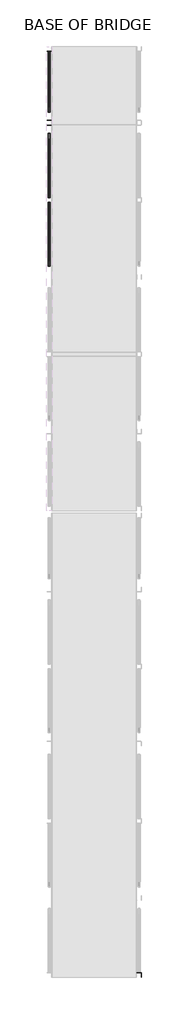
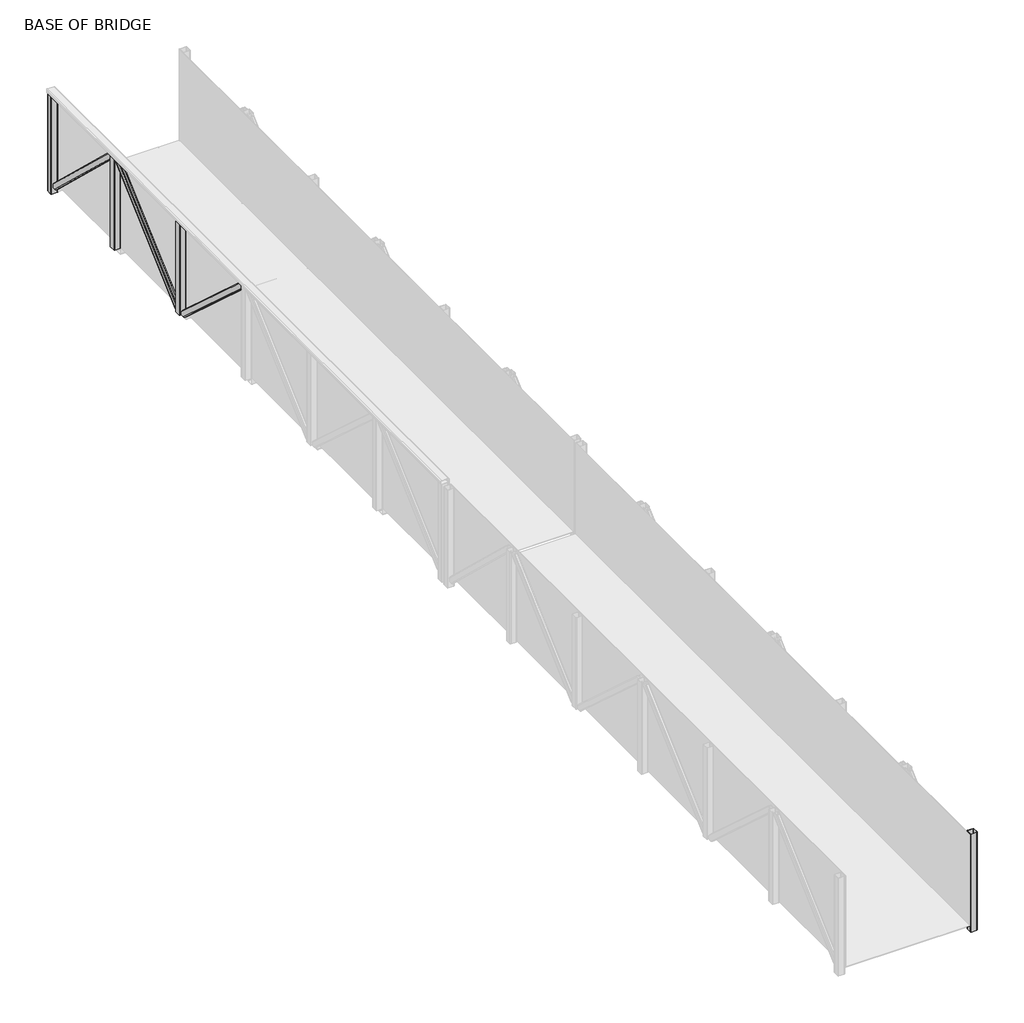
# One storey, part 4 of 8: 7 columns.
"""IFC4 building model written with IfcOpenShell, lengths in millimetres."""

from ifc_helpers import new_model, si_unit, point, frame, frame_2d, origin, place, context, project, spatial, polyline, circle_curve, ellipse_curve, trimmed, segment, composite_curve, outline, extrude, element, save
from ifc_brep_helpers import plane_surface, cylinder_surface, revolved_surface, advanced_brep

model = new_model("IFC4")

# Units and contexts
model_context = context("Model", 3, world=origin())
ifc_project = project(units=[si_unit("LENGTHUNIT", "METRE", prefix="MILLI")], contexts=[model_context])

# Site, building, storey
site = spatial("IfcSite", under=ifc_project)
building = spatial("IfcBuilding", under=site)
storey = spatial("IfcBuildingStorey", under=building, Name="BASE OF BRIDGE", Elevation=15383.0)

# Columns
placement = place(None, origin())
element("IfcColumn", 1, ObjectType="Rectangular Hollow Sections-Column : RHS100x100x5.0", at=placement, inside=storey, context=model_context, shape_type="SweptSolid", body=[
    extrude(outline(composite_curve([segment(trimmed(circle_curve(frame_2d((-935.0, 20762.4479556)), 10.0), [point((-935.0, 20772.4479556))], [point((-925.0, 20762.4479556))], False, "CARTESIAN"), True, "CONTINUOUS"), segment(polyline([(-925.0, 20762.4479556), (-925.0, 20682.4479556)]), True, "CONTINUOUS"), segment(trimmed(circle_curve(frame_2d((-935.0, 20682.4479556)), 10.0), [point((-925.0, 20682.4479556))], [point((-935.0, 20672.4479556))], False, "CARTESIAN"), True, "CONTINUOUS"), segment(polyline([(-935.0, 20672.4479556), (-1015.0, 20672.4479556)]), True, "CONTINUOUS"), segment(trimmed(circle_curve(frame_2d((-1015.0, 20682.4479556)), 10.0), [point((-1015.0, 20672.4479556))], [point((-1025.0, 20682.4479556))], False, "CARTESIAN"), True, "CONTINUOUS"), segment(polyline([(-1025.0, 20682.4479556), (-1025.0, 20762.4479556)]), True, "CONTINUOUS"), segment(trimmed(circle_curve(frame_2d((-1015.0, 20762.4479556)), 10.0), [point((-1025.0, 20762.4479556))], [point((-1015.0, 20772.4479556))], False, "CARTESIAN"), True, "CONTINUOUS"), segment(polyline([(-1015.0, 20772.4479556), (-935.0, 20772.4479556)]), True, "CONTINUOUS")], self_intersect=False), holes=[composite_curve([segment(polyline([(-935.0, 20767.4479556), (-1015.0, 20767.4479556)]), True, "CONTINUOUS"), segment(trimmed(circle_curve(frame_2d((-1015.0, 20762.4479556)), 5.0), [point((-1015.0, 20767.4479556))], [point((-1020.0, 20762.4479556))], True, "CARTESIAN"), True, "CONTINUOUS"), segment(polyline([(-1020.0, 20762.4479556), (-1020.0, 20682.4479556)]), True, "CONTINUOUS"), segment(trimmed(circle_curve(frame_2d((-1015.0, 20682.4479556)), 5.0), [point((-1020.0, 20682.4479556))], [point((-1015.0, 20677.4479556))], True, "CARTESIAN"), True, "CONTINUOUS"), segment(polyline([(-1015.0, 20677.4479556), (-935.0, 20677.4479556)]), True, "CONTINUOUS"), segment(trimmed(circle_curve(frame_2d((-935.0, 20682.4479556)), 5.0), [point((-935.0, 20677.4479556))], [point((-930.0, 20682.4479556))], True, "CARTESIAN"), True, "CONTINUOUS"), segment(polyline([(-930.0, 20682.4479556), (-930.0, 20762.4479556)]), True, "CONTINUOUS"), segment(trimmed(circle_curve(frame_2d((-935.0, 20762.4479556)), 5.0), [point((-930.0, 20762.4479556))], [point((-935.0, 20767.4479556))], True, "CARTESIAN"), True, "CONTINUOUS")], self_intersect=False)]), frame((0.0, 0.0, 15283.0), z_axis=(0.0, 0.0, 1.0), x_axis=(1.0, 0.0, 0.0)), (0.0, 0.0, 1.0), 1521.0),
])
element("IfcColumn", 2, ObjectType="Rectangular Hollow Sections-Column : RHS100x100x5.0", at=placement, inside=storey, context=model_context, shape_type="SweptSolid", body=[
    extrude(outline(composite_curve([segment(trimmed(circle_curve(frame_2d((-935.0, 19162.4479556)), 10.0), [point((-935.0, 19172.4479556))], [point((-925.0, 19162.4479556))], False, "CARTESIAN"), True, "CONTINUOUS"), segment(polyline([(-925.0, 19162.4479556), (-925.0, 19082.4479556)]), True, "CONTINUOUS"), segment(trimmed(circle_curve(frame_2d((-935.0, 19082.4479556)), 10.0), [point((-925.0, 19082.4479556))], [point((-935.0, 19072.4479556))], False, "CARTESIAN"), True, "CONTINUOUS"), segment(polyline([(-935.0, 19072.4479556), (-1015.0, 19072.4479556)]), True, "CONTINUOUS"), segment(trimmed(circle_curve(frame_2d((-1015.0, 19082.4479556)), 10.0), [point((-1015.0, 19072.4479556))], [point((-1025.0, 19082.4479556))], False, "CARTESIAN"), True, "CONTINUOUS"), segment(polyline([(-1025.0, 19082.4479556), (-1025.0, 19162.4479556)]), True, "CONTINUOUS"), segment(trimmed(circle_curve(frame_2d((-1015.0, 19162.4479556)), 10.0), [point((-1025.0, 19162.4479556))], [point((-1015.0, 19172.4479556))], False, "CARTESIAN"), True, "CONTINUOUS"), segment(polyline([(-1015.0, 19172.4479556), (-935.0, 19172.4479556)]), True, "CONTINUOUS")], self_intersect=False), holes=[composite_curve([segment(polyline([(-935.0, 19167.4479556), (-1015.0, 19167.4479556)]), True, "CONTINUOUS"), segment(trimmed(circle_curve(frame_2d((-1015.0, 19162.4479556)), 5.0), [point((-1015.0, 19167.4479556))], [point((-1020.0, 19162.4479556))], True, "CARTESIAN"), True, "CONTINUOUS"), segment(polyline([(-1020.0, 19162.4479556), (-1020.0, 19082.4479556)]), True, "CONTINUOUS"), segment(trimmed(circle_curve(frame_2d((-1015.0, 19082.4479556)), 5.0), [point((-1020.0, 19082.4479556))], [point((-1015.0, 19077.4479556))], True, "CARTESIAN"), True, "CONTINUOUS"), segment(polyline([(-1015.0, 19077.4479556), (-935.0, 19077.4479556)]), True, "CONTINUOUS"), segment(trimmed(circle_curve(frame_2d((-935.0, 19082.4479556)), 5.0), [point((-935.0, 19077.4479556))], [point((-930.0, 19082.4479556))], True, "CARTESIAN"), True, "CONTINUOUS"), segment(polyline([(-930.0, 19082.4479556), (-930.0, 19162.4479556)]), True, "CONTINUOUS"), segment(trimmed(circle_curve(frame_2d((-935.0, 19162.4479556)), 5.0), [point((-930.0, 19162.4479556))], [point((-935.0, 19167.4479556))], True, "CARTESIAN"), True, "CONTINUOUS")], self_intersect=False)]), frame((0.0, 0.0, 15383.0), z_axis=(0.0, 0.0, 1.0), x_axis=(1.0, 0.0, 0.0)), (0.0, 0.0, 1.0), 1421.0),
])
element("IfcColumn", 3, ObjectType="Rectangular Hollow Sections-Column : RHS100x100x5.0", at=placement, inside=storey, context=model_context, shape_type="SweptSolid", body=[
    extrude(outline(composite_curve([segment(trimmed(circle_curve(frame_2d((-935.0, 17492.4479556)), 10.0), [point((-935.0, 17502.4479556))], [point((-925.0, 17492.4479556))], False, "CARTESIAN"), True, "CONTINUOUS"), segment(polyline([(-925.0, 17492.4479556), (-925.0, 17412.4479556)]), True, "CONTINUOUS"), segment(trimmed(circle_curve(frame_2d((-935.0, 17412.4479556)), 10.0), [point((-925.0, 17412.4479556))], [point((-935.0, 17402.4479556))], False, "CARTESIAN"), True, "CONTINUOUS"), segment(polyline([(-935.0, 17402.4479556), (-1015.0, 17402.4479556)]), True, "CONTINUOUS"), segment(trimmed(circle_curve(frame_2d((-1015.0, 17412.4479556)), 10.0), [point((-1015.0, 17402.4479556))], [point((-1025.0, 17412.4479556))], False, "CARTESIAN"), True, "CONTINUOUS"), segment(polyline([(-1025.0, 17412.4479556), (-1025.0, 17492.4479556)]), True, "CONTINUOUS"), segment(trimmed(circle_curve(frame_2d((-1015.0, 17492.4479556)), 10.0), [point((-1025.0, 17492.4479556))], [point((-1015.0, 17502.4479556))], False, "CARTESIAN"), True, "CONTINUOUS"), segment(polyline([(-1015.0, 17502.4479556), (-935.0, 17502.4479556)]), True, "CONTINUOUS")], self_intersect=False), holes=[composite_curve([segment(polyline([(-935.0, 17497.4479556), (-1015.0, 17497.4479556)]), True, "CONTINUOUS"), segment(trimmed(circle_curve(frame_2d((-1015.0, 17492.4479556)), 5.0), [point((-1015.0, 17497.4479556))], [point((-1020.0, 17492.4479556))], True, "CARTESIAN"), True, "CONTINUOUS"), segment(polyline([(-1020.0, 17492.4479556), (-1020.0, 17412.4479556)]), True, "CONTINUOUS"), segment(trimmed(circle_curve(frame_2d((-1015.0, 17412.4479556)), 5.0), [point((-1020.0, 17412.4479556))], [point((-1015.0, 17407.4479556))], True, "CARTESIAN"), True, "CONTINUOUS"), segment(polyline([(-1015.0, 17407.4479556), (-935.0, 17407.4479556)]), True, "CONTINUOUS"), segment(trimmed(circle_curve(frame_2d((-935.0, 17412.4479556)), 5.0), [point((-935.0, 17407.4479556))], [point((-930.0, 17412.4479556))], True, "CARTESIAN"), True, "CONTINUOUS"), segment(polyline([(-930.0, 17412.4479556), (-930.0, 17492.4479556)]), True, "CONTINUOUS"), segment(trimmed(circle_curve(frame_2d((-935.0, 17492.4479556)), 5.0), [point((-930.0, 17492.4479556))], [point((-935.0, 17497.4479556))], True, "CARTESIAN"), True, "CONTINUOUS")], self_intersect=False)]), frame((0.0, 0.0, 15383.0), z_axis=(0.0, 0.0, 1.0), x_axis=(1.0, 0.0, 0.0)), (0.0, 0.0, 1.0), 1421.0),
])
element("IfcColumn", 4, ObjectType="Rectangular Hollow Sections-Column : RHS100x100x5.0", at=placement, inside=storey, context=model_context, shape_type="SweptSolid", body=[
    extrude(outline(composite_curve([segment(trimmed(circle_curve(frame_2d((1015.0, 712.4479556)), 10.0), [point((1015.0, 722.4479556))], [point((1025.0, 712.4479556))], False, "CARTESIAN"), True, "CONTINUOUS"), segment(polyline([(1025.0, 712.4479556), (1025.0, 632.4479556)]), True, "CONTINUOUS"), segment(trimmed(circle_curve(frame_2d((1015.0, 632.4479556)), 10.0), [point((1025.0, 632.4479556))], [point((1015.0, 622.4479556))], False, "CARTESIAN"), True, "CONTINUOUS"), segment(polyline([(1015.0, 622.4479556), (935.0, 622.4479556)]), True, "CONTINUOUS"), segment(trimmed(circle_curve(frame_2d((935.0, 632.4479556)), 10.0), [point((935.0, 622.4479556))], [point((925.0, 632.4479556))], False, "CARTESIAN"), True, "CONTINUOUS"), segment(polyline([(925.0, 632.4479556), (925.0, 712.4479556)]), True, "CONTINUOUS"), segment(trimmed(circle_curve(frame_2d((935.0, 712.4479556)), 10.0), [point((925.0, 712.4479556))], [point((935.0, 722.4479556))], False, "CARTESIAN"), True, "CONTINUOUS"), segment(polyline([(935.0, 722.4479556), (1015.0, 722.4479556)]), True, "CONTINUOUS")], self_intersect=False), holes=[composite_curve([segment(polyline([(1015.0, 717.4479556), (935.0, 717.4479556)]), True, "CONTINUOUS"), segment(trimmed(circle_curve(frame_2d((935.0, 712.4479556)), 5.0), [point((935.0, 717.4479556))], [point((930.0, 712.4479556))], True, "CARTESIAN"), True, "CONTINUOUS"), segment(polyline([(930.0, 712.4479556), (930.0, 632.4479556)]), True, "CONTINUOUS"), segment(trimmed(circle_curve(frame_2d((935.0, 632.4479556)), 5.0), [point((930.0, 632.4479556))], [point((935.0, 627.4479556))], True, "CARTESIAN"), True, "CONTINUOUS"), segment(polyline([(935.0, 627.4479556), (1015.0, 627.4479556)]), True, "CONTINUOUS"), segment(trimmed(circle_curve(frame_2d((1015.0, 632.4479556)), 5.0), [point((1015.0, 627.4479556))], [point((1020.0, 632.4479556))], True, "CARTESIAN"), True, "CONTINUOUS"), segment(polyline([(1020.0, 632.4479556), (1020.0, 712.4479556)]), True, "CONTINUOUS"), segment(trimmed(circle_curve(frame_2d((1015.0, 712.4479556)), 5.0), [point((1020.0, 712.4479556))], [point((1015.0, 717.4479556))], True, "CARTESIAN"), True, "CONTINUOUS")], self_intersect=False)]), frame((0.0, 0.0, 15283.0), z_axis=(0.0, 0.0, 1.0), x_axis=(1.0, 0.0, 0.0)), (0.0, 0.0, 1.0), 1521.0),
])
element("IfcColumn", 5, ObjectType="Rectangular Hollow Sections-Column : RHS90x50x5.0", at=placement, inside=storey, context=model_context, shape_type="AdvancedBrep", body=[
    advanced_brep(
    [(-950.0, 17350.2908364, 15383.0), (-960.0, 17335.3888023, 15383.0), (-990.0, 17335.3888023, 15383.0), (-1000.0, 17350.2908364, 15383.0), (-1000.0, 17402.4479556, 15383.0), (-995.0, 17402.4479556, 15383.0), (-995.0, 17350.2908364, 15383.0), (-990.0, 17342.8398193, 15383.0), (-960.0, 17342.8398193, 15383.0), (-955.0, 17350.2908364, 15383.0), (-955.0, 17402.4479556, 15383.0), (-950.0, 17402.4479556, 15383.0), (-950.0, 15884.6050749, 16804.0), (-960.0, 15899.507109, 16804.0), (-990.0, 15899.507109, 16804.0), (-1000.0, 15884.6050749, 16804.0), (-1000.0, 15832.4479556, 16804.0), (-995.0, 15832.4479556, 16804.0), (-995.0, 15884.6050749, 16804.0), (-990.0, 15892.0560919, 16804.0), (-960.0, 15892.0560919, 16804.0), (-955.0, 15884.6050749, 16804.0), (-955.0, 15832.4479556, 16804.0), (-950.0, 15832.4479556, 16804.0), (-950.0, 17402.4479556, 15430.2071761), (-960.0, 17402.4479556, 15443.6949407), (-950.0, 15832.4479556, 16756.7928239), (-960.0, 15832.4479556, 16743.3050593), (-990.0, 15832.4479556, 16743.3050593), (-1000.0, 15832.4479556, 16756.7928239), (-1000.0, 17402.4479556, 15430.2071761), (-990.0, 17402.4479556, 15443.6949407), (-990.0, 17402.4479556, 15436.9510584), (-960.0, 17402.4479556, 15436.9510584), (-995.0, 17402.4479556, 15430.2071761), (-995.0, 15832.4479556, 16756.7928239), (-990.0, 15832.4479556, 16750.0489416), (-960.0, 15832.4479556, 16750.0489416), (-955.0, 15832.4479556, 16756.7928239), (-955.0, 17402.4479556, 15430.2071761)],
    [
        (0, 1, ellipse_curve(frame((-960.0, 17350.2908364, 15383.0), z_axis=(0.0, 0.0, -1.0), x_axis=(-3.772791845389717e-12, -1.0, 0.0)), 14.9020341, 10.0)),
        (1, 2),
        (2, 3, ellipse_curve(frame((-990.0, 17350.2908364, 15383.0), z_axis=(0.0, 0.0, -1.0), x_axis=(-3.772791845389717e-12, -1.0, 0.0)), 14.9020341, 10.0)),
        (3, 4),
        (4, 5),
        (5, 6),
        (6, 7, ellipse_curve(frame((-990.0, 17350.2908364, 15383.0), z_axis=(0.0, 0.0, 1.0), x_axis=(3.772791845389717e-12, 1.0, 0.0)), 7.451017, 5.0)),
        (7, 8),
        (8, 9, ellipse_curve(frame((-960.0, 17350.2908364, 15383.0), z_axis=(0.0, 0.0, 1.0), x_axis=(3.772791845389717e-12, 1.0, 0.0)), 7.451017, 5.0)),
        (9, 10),
        (10, 11),
        (11, 0),
        (12, 13, ellipse_curve(frame((-960.0, 15884.6050749, 16804.0), z_axis=(0.0, 0.0, 1.0), x_axis=(-3.772791845389717e-12, -1.0, 0.0)), 14.9020341, 10.0)),
        (13, 14),
        (14, 15, ellipse_curve(frame((-990.0, 15884.6050749, 16804.0), z_axis=(0.0, 0.0, 1.0), x_axis=(-3.772791845389717e-12, -1.0, 0.0)), 14.9020341, 10.0)),
        (15, 16),
        (16, 17),
        (17, 18),
        (18, 19, ellipse_curve(frame((-990.0, 15884.6050749, 16804.0), z_axis=(0.0, 0.0, -1.0), x_axis=(3.772791845389717e-12, 1.0, 0.0)), 7.451017, 5.0)),
        (19, 20),
        (20, 21, ellipse_curve(frame((-960.0, 15884.6050749, 16804.0), z_axis=(0.0, 0.0, -1.0), x_axis=(3.772791845389717e-12, 1.0, 0.0)), 7.451017, 5.0)),
        (21, 22),
        (22, 23),
        (23, 12),
        (12, 24),
        (24, 25, ellipse_curve(frame((-960.0, 17402.4479556, 15430.2071761), z_axis=(0.0, -1.0, 0.0), x_axis=(-4.168390708840129e-12, 0.0, 1.0)), 13.4877646, 10.0)),
        (25, 13),
        (11, 24),
        (23, 26),
        (26, 0),
        (26, 27, ellipse_curve(frame((-960.0, 15832.4479556, 16756.7928239), z_axis=(0.0, 1.0, 0.0), x_axis=(-4.168390708840129e-12, 0.0, 1.0)), 13.4877646, 10.0)),
        (27, 1),
        (27, 28),
        (28, 2),
        (28, 29, ellipse_curve(frame((-990.0, 15832.4479556, 16756.7928239), z_axis=(0.0, 1.0, 0.0), x_axis=(-4.168390708840129e-12, 0.0, 1.0)), 13.4877646, 10.0)),
        (29, 3),
        (29, 16),
        (15, 30),
        (30, 4),
        (14, 31),
        (31, 30, ellipse_curve(frame((-990.0, 17402.4479556, 15430.2071761), z_axis=(0.0, -1.0, 0.0), x_axis=(-4.168390708840129e-12, 0.0, 1.0)), 13.4877646, 10.0)),
        (25, 31),
        (19, 32),
        (32, 33),
        (33, 20),
        (18, 34),
        (34, 32, ellipse_curve(frame((-990.0, 17402.4479556, 15430.2071761), z_axis=(0.0, 1.0, 0.0), x_axis=(4.168390708840129e-12, 0.0, -1.0)), 6.7438823, 5.0)),
        (5, 34),
        (17, 35),
        (35, 6),
        (35, 36, ellipse_curve(frame((-990.0, 15832.4479556, 16756.7928239), z_axis=(0.0, -1.0, 0.0), x_axis=(4.168390708840129e-12, 0.0, -1.0)), 6.7438823, 5.0)),
        (36, 7),
        (36, 37),
        (37, 8),
        (37, 38, ellipse_curve(frame((-960.0, 15832.4479556, 16756.7928239), z_axis=(0.0, -1.0, 0.0), x_axis=(4.168390708840129e-12, 0.0, -1.0)), 6.7438823, 5.0)),
        (38, 9),
        (38, 22),
        (21, 39),
        (39, 10),
        (33, 39, ellipse_curve(frame((-960.0, 17402.4479556, 15430.2071761), z_axis=(0.0, 1.0, 0.0), x_axis=(4.168390708840129e-12, 0.0, -1.0)), 6.7438823, 5.0)),
    ],
    [
        plane_surface(frame((-975.0, 17402.4479556, 15383.0), z_axis=(0.0, 0.0, -1.0), x_axis=(1.0, 0.0, 0.0))),
        plane_surface(frame((-975.0, 15832.4479556, 16804.0), z_axis=(0.0, 0.0, 1.0), x_axis=(-1.0, 0.0, 0.0))),
        cylinder_surface(frame((-960.0, 17539.6865423, 15305.9931432), z_axis=(-2.797195797274549e-12, -0.7414127022917184, 0.6710493311825082), x_axis=(0.9999999999999999, -3.7727918453897165e-12, 0.0)), 10.0),
        plane_surface(frame((-950.0, 15695.2093689, 16881.0068568), z_axis=(1.0, -3.772791845389717e-12, 0.0), x_axis=(2.7971957972745496e-12, 0.7414127022917185, -0.6710493311825083))),
        cylinder_surface(frame((-960.0, 17492.7130892, 15254.094254), z_axis=(-2.797195797274549e-12, -0.7414127022917184, 0.6710493311825082), x_axis=(0.9999999999999999, -3.7727918453897165e-12, 0.0)), 10.0),
        plane_surface(frame((-990.0, 15688.4988756, 16873.5927298), z_axis=(-2.531729444539591e-12, -0.6710493311825083, -0.7414127022917185), x_axis=(2.7971957972745496e-12, 0.7414127022917185, -0.6710493311825083))),
        cylinder_surface(frame((-990.0, 17492.7130892, 15254.094254), z_axis=(-2.797195797274549e-12, -0.7414127022917184, 0.6710493311825082), x_axis=(0.9999999999999999, -3.7727918453897165e-12, 0.0)), 10.0),
        plane_surface(frame((-1000.0, 15742.1828221, 16932.905746), z_axis=(-1.0, 3.772791845389717e-12, 0.0), x_axis=(2.7971957972745496e-12, 0.7414127022917185, -0.6710493311825083))),
        cylinder_surface(frame((-990.0, 17539.6865423, 15305.9931432), z_axis=(-2.797195797274549e-12, -0.7414127022917184, 0.6710493311825082), x_axis=(0.9999999999999999, -3.7727918453897165e-12, 0.0)), 10.0),
        plane_surface(frame((-960.0, 15748.8933154, 16940.319873), z_axis=(2.531729444539591e-12, 0.6710493311825083, 0.7414127022917185), x_axis=(2.7971957972745496e-12, 0.7414127022917185, -0.6710493311825083))),
        plane_surface(frame((-990.0, 15745.5380688, 16936.6128095), z_axis=(-2.531729444539591e-12, -0.6710493311825083, -0.7414127022917185), x_axis=(2.7971957972745496e-12, 0.7414127022917185, -0.6710493311825083))),
        revolved_surface(polyline([(-985.0000000005051, 17405.803202271, 15427.170357328147), (-985.0000000062597, 15880.509304538584, 16807.707063492333)]), (-990.0, 17539.6865423, 15305.9931432), (2.797195797274549e-12, 0.7414127022917184, -0.6710493311825082)),
        plane_surface(frame((-995.0, 15695.2093689, 16881.0068568), z_axis=(1.0, -3.772791845389717e-12, 0.0), x_axis=(2.7971957972745496e-12, 0.7414127022917185, -0.6710493311825083))),
        revolved_surface(polyline([(-985.0000000005218, 17354.386606763983, 15379.292936510543), (-985.0000000062765, 15829.092708976601, 16759.829642724482)]), (-990.0, 17492.7130892, 15254.094254), (2.797195797274549e-12, 0.7414127022917184, -0.6710493311825082)),
        plane_surface(frame((-960.0, 15691.8541223, 16877.2997933), z_axis=(2.531729444539591e-12, 0.6710493311825083, 0.7414127022917185), x_axis=(2.7971957972745496e-12, 0.7414127022917185, -0.6710493311825083))),
        revolved_surface(polyline([(-955.0000000005218, 17354.386606763983, 15379.292936510543), (-955.0000000062765, 15829.092708976601, 16759.829642724482)]), (-960.0, 17492.7130892, 15254.094254), (2.797195797274549e-12, 0.7414127022917184, -0.6710493311825082)),
        plane_surface(frame((-955.0, 15742.1828221, 16932.905746), z_axis=(-1.0, 3.772791845389717e-12, 0.0), x_axis=(2.7971957972745496e-12, 0.7414127022917185, -0.6710493311825083))),
        revolved_surface(polyline([(-955.0000000005051, 17405.803202271, 15427.170357328147), (-955.0000000062597, 15880.509304538584, 16807.707063492333)]), (-960.0, 17539.6865423, 15305.9931432), (2.797195797274549e-12, 0.7414127022917184, -0.6710493311825082)),
        plane_surface(frame((-935.0, 17402.4479556, 15383.0), z_axis=(0.0, 1.0, 0.0), x_axis=(0.0, 0.0, 1.0))),
        plane_surface(frame((-1015.0, 15832.4479556, 15383.0), z_axis=(0.0, -1.0, 0.0), x_axis=(0.0, 0.0, 1.0))),
    ],
    [
        (0, [[1, 2, 3, 4, 5, 6, 7, 8, 9, 10, 11, 12]]),
        (1, [[13, 14, 15, 16, 17, 18, 19, 20, 21, 22, 23, 24]]),
        (2, [[-13, 25, 26, 27]]),
        (3, [[-12, 28, -25, -24, 29, 30]]),
        (4, [[-1, -30, 31, 32]]),
        (5, [[-2, -32, 33, 34]]),
        (6, [[-3, -34, 35, 36]]),
        (7, [[-4, -36, 37, -16, 38, 39]]),
        (8, [[-15, 40, 41, -38]]),
        (9, [[-14, -27, 42, -40]]),
        (10, [[-20, 43, 44, 45]]),
        (11, [[-19, 46, 47, -43]]),
        (12, [[-6, 48, -46, -18, 49, 50]]),
        (13, [[-7, -50, 51, 52]]),
        (14, [[-8, -52, 53, 54]]),
        (15, [[-9, -54, 55, 56]]),
        (16, [[-10, -56, 57, -22, 58, 59]]),
        (17, [[-21, -45, 60, -58]]),
        (18, [[-11, -59, -60, -44, -47, -48, -5, -39, -41, -42, -26, -28]]),
        (19, [[-17, -37, -35, -33, -31, -29, -23, -57, -55, -53, -51, -49]]),
    ],
),
])
element("IfcColumn", 6, ObjectType="Rectangular Hollow Sections-Column : RHS90x50x5.0", at=placement, inside=storey, context=model_context, shape_type="AdvancedBrep", body=[
    advanced_brep(
    [(-1000.0, 17554.6050749, 15383.0), (-990.0, 17569.507109, 15383.0), (-960.0, 17569.507109, 15383.0), (-950.0, 17554.6050749, 15383.0), (-950.0, 17502.4479556, 15383.0), (-955.0, 17502.4479556, 15383.0), (-955.0, 17554.6050749, 15383.0), (-960.0, 17562.0560919, 15383.0), (-990.0, 17562.0560919, 15383.0), (-995.0, 17554.6050749, 15383.0), (-995.0, 17502.4479556, 15383.0), (-1000.0, 17502.4479556, 15383.0), (-1000.0, 19020.2908364, 16804.0), (-990.0, 19005.3888023, 16804.0), (-960.0, 19005.3888023, 16804.0), (-950.0, 19020.2908364, 16804.0), (-950.0, 19072.4479556, 16804.0), (-955.0, 19072.4479556, 16804.0), (-955.0, 19020.2908364, 16804.0), (-960.0, 19012.8398193, 16804.0), (-990.0, 19012.8398193, 16804.0), (-995.0, 19020.2908364, 16804.0), (-995.0, 19072.4479556, 16804.0), (-1000.0, 19072.4479556, 16804.0), (-1000.0, 17502.4479556, 15430.2071761), (-990.0, 17502.4479556, 15443.6949407), (-1000.0, 19072.4479556, 16756.7928239), (-990.0, 19072.4479556, 16743.3050593), (-960.0, 19072.4479556, 16743.3050593), (-950.0, 19072.4479556, 16756.7928239), (-950.0, 17502.4479556, 15430.2071761), (-960.0, 17502.4479556, 15443.6949407), (-960.0, 17502.4479556, 15436.9510584), (-990.0, 17502.4479556, 15436.9510584), (-955.0, 17502.4479556, 15430.2071761), (-955.0, 19072.4479556, 16756.7928239), (-960.0, 19072.4479556, 16750.0489416), (-990.0, 19072.4479556, 16750.0489416), (-995.0, 19072.4479556, 16756.7928239), (-995.0, 17502.4479556, 15430.2071761)],
    [
        (0, 1, ellipse_curve(frame((-990.0, 17554.6050749, 15383.0), z_axis=(0.0, 0.0, -1.0), x_axis=(-3.772791845389717e-12, 1.0, 0.0)), 14.9020341, 10.0)),
        (1, 2),
        (2, 3, ellipse_curve(frame((-960.0, 17554.6050749, 15383.0), z_axis=(0.0, 0.0, -1.0), x_axis=(-3.772791845389717e-12, 1.0, 0.0)), 14.9020341, 10.0)),
        (3, 4),
        (4, 5),
        (5, 6),
        (6, 7, ellipse_curve(frame((-960.0, 17554.6050749, 15383.0), z_axis=(0.0, 0.0, 1.0), x_axis=(3.772791845389717e-12, -1.0, 0.0)), 7.451017, 5.0)),
        (7, 8),
        (8, 9, ellipse_curve(frame((-990.0, 17554.6050749, 15383.0), z_axis=(0.0, 0.0, 1.0), x_axis=(3.772791845389717e-12, -1.0, 0.0)), 7.451017, 5.0)),
        (9, 10),
        (10, 11),
        (11, 0),
        (12, 13, ellipse_curve(frame((-990.0, 19020.2908364, 16804.0), z_axis=(0.0, 0.0, 1.0), x_axis=(-3.772791845389717e-12, 1.0, 0.0)), 14.9020341, 10.0)),
        (13, 14),
        (14, 15, ellipse_curve(frame((-960.0, 19020.2908364, 16804.0), z_axis=(0.0, 0.0, 1.0), x_axis=(-3.772791845389717e-12, 1.0, 0.0)), 14.9020341, 10.0)),
        (15, 16),
        (16, 17),
        (17, 18),
        (18, 19, ellipse_curve(frame((-960.0, 19020.2908364, 16804.0), z_axis=(0.0, 0.0, -1.0), x_axis=(3.772791845389717e-12, -1.0, 0.0)), 7.451017, 5.0)),
        (19, 20),
        (20, 21, ellipse_curve(frame((-990.0, 19020.2908364, 16804.0), z_axis=(0.0, 0.0, -1.0), x_axis=(3.772791845389717e-12, -1.0, 0.0)), 7.451017, 5.0)),
        (21, 22),
        (22, 23),
        (23, 12),
        (12, 24),
        (24, 25, ellipse_curve(frame((-990.0, 17502.4479556, 15430.2071761), z_axis=(0.0, 1.0, 0.0), x_axis=(-4.168390708840129e-12, 0.0, 1.0)), 13.4877646, 10.0)),
        (25, 13),
        (23, 26),
        (26, 0),
        (11, 24),
        (26, 27, ellipse_curve(frame((-990.0, 19072.4479556, 16756.7928239), z_axis=(0.0, -1.0, 0.0), x_axis=(-4.168390708840129e-12, 0.0, 1.0)), 13.4877646, 10.0)),
        (27, 1),
        (27, 28),
        (28, 2),
        (28, 29, ellipse_curve(frame((-960.0, 19072.4479556, 16756.7928239), z_axis=(0.0, -1.0, 0.0), x_axis=(-4.168390708840129e-12, 0.0, 1.0)), 13.4877646, 10.0)),
        (29, 3),
        (15, 30),
        (30, 4),
        (29, 16),
        (14, 31),
        (31, 30, ellipse_curve(frame((-960.0, 17502.4479556, 15430.2071761), z_axis=(0.0, 1.0, 0.0), x_axis=(-4.168390708840129e-12, 0.0, 1.0)), 13.4877646, 10.0)),
        (25, 31),
        (19, 32),
        (32, 33),
        (33, 20),
        (18, 34),
        (34, 32, ellipse_curve(frame((-960.0, 17502.4479556, 15430.2071761), z_axis=(0.0, -1.0, 0.0), x_axis=(4.168390708840129e-12, 0.0, -1.0)), 6.7438823, 5.0)),
        (17, 35),
        (35, 6),
        (5, 34),
        (35, 36, ellipse_curve(frame((-960.0, 19072.4479556, 16756.7928239), z_axis=(0.0, 1.0, 0.0), x_axis=(4.168390708840129e-12, 0.0, -1.0)), 6.7438823, 5.0)),
        (36, 7),
        (36, 37),
        (37, 8),
        (37, 38, ellipse_curve(frame((-990.0, 19072.4479556, 16756.7928239), z_axis=(0.0, 1.0, 0.0), x_axis=(4.168390708840129e-12, 0.0, -1.0)), 6.7438823, 5.0)),
        (38, 9),
        (21, 39),
        (39, 10),
        (38, 22),
        (33, 39, ellipse_curve(frame((-990.0, 17502.4479556, 15430.2071761), z_axis=(0.0, -1.0, 0.0), x_axis=(4.168390708840129e-12, 0.0, -1.0)), 6.7438823, 5.0)),
    ],
    [
        plane_surface(frame((-975.0, 17502.4479556, 15383.0), z_axis=(0.0, 0.0, -1.0), x_axis=(1.0, 0.0, 0.0))),
        plane_surface(frame((-975.0, 19072.4479556, 16804.0), z_axis=(0.0, 0.0, 1.0), x_axis=(-1.0, 0.0, 0.0))),
        cylinder_surface(frame((-990.0, 17365.2093689, 15305.9931432), z_axis=(-2.797195797274549e-12, 0.7414127022917184, 0.6710493311825082), x_axis=(-0.9999999999999999, -3.7727918453897165e-12, 0.0)), 10.0),
        plane_surface(frame((-1000.0, 19209.6865423, 16881.0068568), z_axis=(-1.0, -3.772791845389717e-12, 0.0), x_axis=(2.7971957972745496e-12, -0.7414127022917185, -0.6710493311825083))),
        cylinder_surface(frame((-990.0, 17412.1828221, 15254.094254), z_axis=(-2.797195797274549e-12, 0.7414127022917184, 0.6710493311825082), x_axis=(-0.9999999999999999, -3.7727918453897165e-12, 0.0)), 10.0),
        plane_surface(frame((-960.0, 19216.3970356, 16873.5927298), z_axis=(-2.531729444539591e-12, 0.6710493311825083, -0.7414127022917185), x_axis=(2.7971957972745496e-12, -0.7414127022917185, -0.6710493311825083))),
        cylinder_surface(frame((-960.0, 17412.1828221, 15254.094254), z_axis=(-2.797195797274549e-12, 0.7414127022917184, 0.6710493311825082), x_axis=(-0.9999999999999999, -3.7727918453897165e-12, 0.0)), 10.0),
        plane_surface(frame((-950.0, 19162.7130892, 16932.905746), z_axis=(1.0, 3.772791845389717e-12, 0.0), x_axis=(2.7971957972745496e-12, -0.7414127022917185, -0.6710493311825083))),
        cylinder_surface(frame((-960.0, 17365.2093689, 15305.9931432), z_axis=(-2.797195797274549e-12, 0.7414127022917184, 0.6710493311825082), x_axis=(-0.9999999999999999, -3.7727918453897165e-12, 0.0)), 10.0),
        plane_surface(frame((-990.0, 19156.0025958, 16940.319873), z_axis=(2.531729444539591e-12, -0.6710493311825083, 0.7414127022917185), x_axis=(2.7971957972745496e-12, -0.7414127022917185, -0.6710493311825083))),
        plane_surface(frame((-960.0, 19159.3578425, 16936.6128095), z_axis=(-2.531729444539591e-12, 0.6710493311825083, -0.7414127022917185), x_axis=(2.7971957972745496e-12, -0.7414127022917185, -0.6710493311825083))),
        revolved_surface(polyline([(-965.0000000005051, 17499.092708928965, 15427.170357328147), (-965.0000000062597, 19024.38660671635, 16807.707063542082)]), (-960.0, 17365.2093689, 15305.9931432), (2.797195797274549e-12, -0.7414127022917184, -0.6710493311825082)),
        plane_surface(frame((-955.0, 19209.6865423, 16881.0068568), z_axis=(-1.0, -3.772791845389717e-12, 0.0), x_axis=(2.7971957972745496e-12, -0.7414127022917185, -0.6710493311825083))),
        revolved_surface(polyline([(-965.0000000005218, 17550.50930453598, 15379.292936510543), (-965.0000000062765, 19075.803202268395, 16759.82964267473)]), (-960.0, 17412.1828221, 15254.094254), (2.797195797274549e-12, -0.7414127022917184, -0.6710493311825082)),
        plane_surface(frame((-990.0, 19213.041789, 16877.2997933), z_axis=(2.531729444539591e-12, -0.6710493311825083, 0.7414127022917185), x_axis=(2.7971957972745496e-12, -0.7414127022917185, -0.6710493311825083))),
        revolved_surface(polyline([(-995.0000000005218, 17550.50930453598, 15379.292936510543), (-995.0000000062765, 19075.803202268395, 16759.82964267473)]), (-990.0, 17412.1828221, 15254.094254), (2.797195797274549e-12, -0.7414127022917184, -0.6710493311825082)),
        plane_surface(frame((-995.0, 19162.7130892, 16932.905746), z_axis=(1.0, 3.772791845389717e-12, 0.0), x_axis=(2.7971957972745496e-12, -0.7414127022917185, -0.6710493311825083))),
        revolved_surface(polyline([(-995.0000000005051, 17499.092708928965, 15427.170357328147), (-995.0000000062597, 19024.38660671635, 16807.707063542082)]), (-990.0, 17365.2093689, 15305.9931432), (2.797195797274549e-12, -0.7414127022917184, -0.6710493311825082)),
        plane_surface(frame((-935.0, 19072.4479556, 15383.0), z_axis=(0.0, 1.0, 0.0), x_axis=(0.0, 0.0, 1.0))),
        plane_surface(frame((-1015.0, 17502.4479556, 15383.0), z_axis=(0.0, -1.0, 0.0), x_axis=(0.0, 0.0, 1.0))),
    ],
    [
        (0, [[1, 2, 3, 4, 5, 6, 7, 8, 9, 10, 11, 12]]),
        (1, [[13, 14, 15, 16, 17, 18, 19, 20, 21, 22, 23, 24]]),
        (2, [[-13, 25, 26, 27]]),
        (3, [[-24, 28, 29, -12, 30, -25]]),
        (4, [[-1, -29, 31, 32]]),
        (5, [[-2, -32, 33, 34]]),
        (6, [[-3, -34, 35, 36]]),
        (7, [[-16, 37, 38, -4, -36, 39]]),
        (8, [[-15, 40, 41, -37]]),
        (9, [[-14, -27, 42, -40]]),
        (10, [[-20, 43, 44, 45]]),
        (11, [[-19, 46, 47, -43]]),
        (12, [[-18, 48, 49, -6, 50, -46]]),
        (13, [[-7, -49, 51, 52]]),
        (14, [[-8, -52, 53, 54]]),
        (15, [[-9, -54, 55, 56]]),
        (16, [[-22, 57, 58, -10, -56, 59]]),
        (17, [[-21, -45, 60, -57]]),
        (18, [[-17, -39, -35, -33, -31, -28, -23, -59, -55, -53, -51, -48]]),
        (19, [[-11, -58, -60, -44, -47, -50, -5, -38, -41, -42, -26, -30]]),
    ],
),
])
element("IfcColumn", 7, ObjectType="Rectangular Hollow Sections-Column : RHS90x50x5.0", at=placement, inside=storey, context=model_context, shape_type="AdvancedBrep", body=[
    advanced_brep(
    [(-950.0, 20621.555981, 15383.0), (-960.0, 20607.0154168, 15383.0), (-990.0, 20607.0154168, 15383.0), (-1000.0, 20621.555981, 15383.0), (-1000.0, 20672.4479556, 15383.0), (-995.0, 20672.4479556, 15383.0), (-995.0, 20621.555981, 15383.0), (-990.0, 20614.2856989, 15383.0), (-960.0, 20614.2856989, 15383.0), (-955.0, 20621.555981, 15383.0), (-955.0, 20672.4479556, 15383.0), (-950.0, 20672.4479556, 15383.0), (-950.0, 19223.3399303, 16804.0), (-960.0, 19237.8804945, 16804.0), (-990.0, 19237.8804945, 16804.0), (-1000.0, 19223.3399303, 16804.0), (-1000.0, 19172.4479556, 16804.0), (-995.0, 19172.4479556, 16804.0), (-995.0, 19223.3399303, 16804.0), (-990.0, 19230.6102124, 16804.0), (-960.0, 19230.6102124, 16804.0), (-955.0, 19223.3399303, 16804.0), (-955.0, 19172.4479556, 16804.0), (-950.0, 19172.4479556, 16804.0), (-950.0, 20672.4479556, 15431.211664), (-960.0, 20672.4479556, 15444.9864251), (-950.0, 19172.4479556, 16755.788336), (-960.0, 19172.4479556, 16742.0135749), (-990.0, 19172.4479556, 16742.0135749), (-1000.0, 19172.4479556, 16755.788336), (-1000.0, 20672.4479556, 15431.211664), (-990.0, 20672.4479556, 15444.9864251), (-990.0, 20672.4479556, 15438.0990446), (-960.0, 20672.4479556, 15438.0990446), (-995.0, 20672.4479556, 15431.211664), (-995.0, 19172.4479556, 16755.788336), (-990.0, 19172.4479556, 16748.9009554), (-960.0, 19172.4479556, 16748.9009554), (-955.0, 19172.4479556, 16755.788336), (-955.0, 20672.4479556, 15431.211664)],
    [
        (0, 1, ellipse_curve(frame((-960.0, 20621.555981, 15383.0), z_axis=(0.0, 0.0, -1.0), x_axis=(0.0, -1.0, 0.0)), 14.5405642, 10.0)),
        (1, 2),
        (2, 3, ellipse_curve(frame((-990.0, 20621.555981, 15383.0), z_axis=(0.0, 0.0, -1.0), x_axis=(0.0, -1.0, 0.0)), 14.5405642, 10.0)),
        (3, 4),
        (4, 5),
        (5, 6),
        (6, 7, ellipse_curve(frame((-990.0, 20621.555981, 15383.0), z_axis=(0.0, 0.0, 1.0), x_axis=(0.0, 1.0, 0.0)), 7.2702821, 5.0)),
        (7, 8),
        (8, 9, ellipse_curve(frame((-960.0, 20621.555981, 15383.0), z_axis=(0.0, 0.0, 1.0), x_axis=(0.0, 1.0, 0.0)), 7.2702821, 5.0)),
        (9, 10),
        (10, 11),
        (11, 0),
        (12, 13, ellipse_curve(frame((-960.0, 19223.3399303, 16804.0), z_axis=(0.0, 0.0, 1.0), x_axis=(0.0, -1.0, 0.0)), 14.5405642, 10.0)),
        (13, 14),
        (14, 15, ellipse_curve(frame((-990.0, 19223.3399303, 16804.0), z_axis=(0.0, 0.0, 1.0), x_axis=(0.0, -1.0, 0.0)), 14.5405642, 10.0)),
        (15, 16),
        (16, 17),
        (17, 18),
        (18, 19, ellipse_curve(frame((-990.0, 19223.3399303, 16804.0), z_axis=(0.0, 0.0, -1.0), x_axis=(0.0, 1.0, 0.0)), 7.2702821, 5.0)),
        (19, 20),
        (20, 21, ellipse_curve(frame((-960.0, 19223.3399303, 16804.0), z_axis=(0.0, 0.0, -1.0), x_axis=(0.0, 1.0, 0.0)), 7.2702821, 5.0)),
        (21, 22),
        (22, 23),
        (23, 12),
        (12, 24),
        (24, 25, ellipse_curve(frame((-960.0, 20672.4479556, 15431.211664), z_axis=(0.0, -1.0, 0.0), x_axis=(0.0, 0.0, 0.9999999999999999)), 13.7747611, 10.0)),
        (25, 13),
        (23, 26),
        (26, 0),
        (11, 24),
        (26, 27, ellipse_curve(frame((-960.0, 19172.4479556, 16755.788336), z_axis=(0.0, 1.0, 0.0), x_axis=(0.0, 0.0, 0.9999999999999999)), 13.7747611, 10.0)),
        (27, 1),
        (27, 28),
        (28, 2),
        (28, 29, ellipse_curve(frame((-990.0, 19172.4479556, 16755.788336), z_axis=(0.0, 1.0, 0.0), x_axis=(0.0, 0.0, 0.9999999999999999)), 13.7747611, 10.0)),
        (29, 3),
        (15, 30),
        (30, 4),
        (29, 16),
        (14, 31),
        (31, 30, ellipse_curve(frame((-990.0, 20672.4479556, 15431.211664), z_axis=(0.0, -1.0, 0.0), x_axis=(0.0, 0.0, 0.9999999999999999)), 13.7747611, 10.0)),
        (25, 31),
        (19, 32),
        (32, 33),
        (33, 20),
        (18, 34),
        (34, 32, ellipse_curve(frame((-990.0, 20672.4479556, 15431.211664), z_axis=(0.0, 1.0, 0.0), x_axis=(0.0, 0.0, -0.9999999999999999)), 6.8873806, 5.0)),
        (17, 35),
        (35, 6),
        (5, 34),
        (35, 36, ellipse_curve(frame((-990.0, 19172.4479556, 16755.788336), z_axis=(0.0, -1.0, 0.0), x_axis=(0.0, 0.0, -0.9999999999999999)), 6.8873806, 5.0)),
        (36, 7),
        (36, 37),
        (37, 8),
        (37, 38, ellipse_curve(frame((-960.0, 19172.4479556, 16755.788336), z_axis=(0.0, -1.0, 0.0), x_axis=(0.0, 0.0, -0.9999999999999999)), 6.8873806, 5.0)),
        (38, 9),
        (21, 39),
        (39, 10),
        (38, 22),
        (33, 39, ellipse_curve(frame((-960.0, 20672.4479556, 15431.211664), z_axis=(0.0, 1.0, 0.0), x_axis=(0.0, 0.0, -0.9999999999999999)), 6.8873806, 5.0)),
    ],
    [
        plane_surface(frame((-975.0, 20672.4479556, 15383.0), z_axis=(0.0, 0.0, -1.0), x_axis=(1.0, 0.0, 0.0))),
        plane_surface(frame((-975.0, 19172.4479556, 16804.0), z_axis=(0.0, 0.0, 1.0), x_axis=(-1.0, 0.0, 0.0))),
        cylinder_surface(frame((-960.0, 20805.1986696, 15305.4524876), z_axis=(0.0, -0.7259654014237689, 0.687731223615466), x_axis=(1.0, 0.0, 0.0)), 10.0),
        plane_surface(frame((-950.0, 19039.6972417, 16881.5475124), z_axis=(1.0, 0.0, 0.0), x_axis=(0.0, 0.7259654014237689, -0.687731223615466))),
        cylinder_surface(frame((-960.0, 20757.0574839, 15254.6349095), z_axis=(0.0, -0.7259654014237689, 0.687731223615466), x_axis=(1.0, 0.0, 0.0)), 10.0),
        plane_surface(frame((-990.0, 19032.8199295, 16874.2878583), z_axis=(0.0, -0.687731223615466, -0.7259654014237689), x_axis=(0.0, 0.7259654014237689, -0.687731223615466))),
        cylinder_surface(frame((-990.0, 20757.0574839, 15254.6349095), z_axis=(0.0, -0.7259654014237689, 0.687731223615466), x_axis=(1.0, 0.0, 0.0)), 10.0),
        plane_surface(frame((-1000.0, 19087.8384273, 16932.3650905), z_axis=(-1.0, 0.0, 0.0), x_axis=(0.0, 0.7259654014237689, -0.687731223615466))),
        cylinder_surface(frame((-990.0, 20805.1986696, 15305.4524876), z_axis=(0.0, -0.7259654014237689, 0.687731223615466), x_axis=(1.0, 0.0, 0.0)), 10.0),
        plane_surface(frame((-960.0, 19094.7157396, 16939.6247445), z_axis=(0.0, 0.687731223615466, 0.7259654014237689), x_axis=(0.0, 0.7259654014237689, -0.687731223615466))),
        plane_surface(frame((-990.0, 19091.2770835, 16935.9949175), z_axis=(0.0, -0.687731223615466, -0.7259654014237689), x_axis=(0.0, 0.7259654014237689, -0.687731223615466))),
        revolved_surface(polyline([(-985.0, 20675.886611731235, 15427.95411042101), (-985.0, 19219.508304303094, 16807.629826991302)]), (-990.0, 20805.1986696, 15305.4524876), (0.0, 0.7259654014237689, -0.687731223615466)),
        plane_surface(frame((-995.0, 19039.6972417, 16881.5475124), z_axis=(1.0, 0.0, 0.0), x_axis=(0.0, 0.7259654014237689, -0.687731223615466))),
        revolved_surface(polyline([(-985.0, 20625.387606935747, 15379.370172944138), (-985.0, 19169.0092994549, 16759.045889564357)]), (-990.0, 20757.0574839, 15254.6349095), (0.0, 0.7259654014237689, -0.687731223615466)),
        plane_surface(frame((-960.0, 19036.2585856, 16877.9176854), z_axis=(0.0, 0.687731223615466, 0.7259654014237689), x_axis=(0.0, 0.7259654014237689, -0.687731223615466))),
        revolved_surface(polyline([(-955.0, 20625.387606935747, 15379.370172944138), (-955.0, 19169.0092994549, 16759.045889564357)]), (-960.0, 20757.0574839, 15254.6349095), (0.0, 0.7259654014237689, -0.687731223615466)),
        plane_surface(frame((-955.0, 19087.8384273, 16932.3650905), z_axis=(-1.0, 0.0, 0.0), x_axis=(0.0, 0.7259654014237689, -0.687731223615466))),
        revolved_surface(polyline([(-955.0, 20675.886611731235, 15427.95411042101), (-955.0, 19219.508304303094, 16807.629826991302)]), (-960.0, 20805.1986696, 15305.4524876), (0.0, 0.7259654014237689, -0.687731223615466)),
        plane_surface(frame((-1015.0, 19172.4479556, 15383.0), z_axis=(0.0, -1.0, 0.0), x_axis=(0.0, 0.0, 1.0))),
        plane_surface(frame((-935.0, 20672.4479556, 15283.0), z_axis=(0.0, 1.0, 0.0), x_axis=(0.0, 0.0, 1.0))),
    ],
    [
        (0, [[1, 2, 3, 4, 5, 6, 7, 8, 9, 10, 11, 12]]),
        (1, [[13, 14, 15, 16, 17, 18, 19, 20, 21, 22, 23, 24]]),
        (2, [[-13, 25, 26, 27]]),
        (3, [[-24, 28, 29, -12, 30, -25]]),
        (4, [[-1, -29, 31, 32]]),
        (5, [[-2, -32, 33, 34]]),
        (6, [[-3, -34, 35, 36]]),
        (7, [[-16, 37, 38, -4, -36, 39]]),
        (8, [[-15, 40, 41, -37]]),
        (9, [[-14, -27, 42, -40]]),
        (10, [[-20, 43, 44, 45]]),
        (11, [[-19, 46, 47, -43]]),
        (12, [[-18, 48, 49, -6, 50, -46]]),
        (13, [[-7, -49, 51, 52]]),
        (14, [[-8, -52, 53, 54]]),
        (15, [[-9, -54, 55, 56]]),
        (16, [[-22, 57, 58, -10, -56, 59]]),
        (17, [[-21, -45, 60, -57]]),
        (18, [[-17, -39, -35, -33, -31, -28, -23, -59, -55, -53, -51, -48]]),
        (19, [[-11, -58, -60, -44, -47, -50, -5, -38, -41, -42, -26, -30]]),
    ],
),
])

save(model, "model.ifc")
